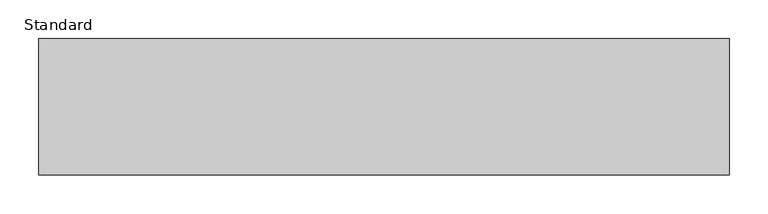
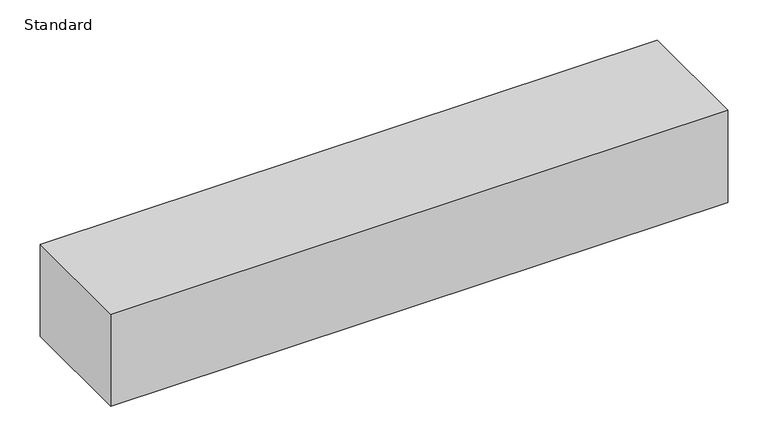
"""IFC4 building model written with IfcOpenShell, lengths in millimetres: proxy geometry, Standard."""

from ifc_helpers import new_model, si_unit, frame, origin, place, context, project, spatial, polyline, outline, extrude, source, transform, mapped, element, save


def standard_875ddddc(model_context):
    return source(origin(), model_context, "Body", "SweptSolid", [
        extrude(outline(polyline([(442.5, -5.0), (442.5, -180.0), (-442.5, -180.0), (-442.5, -5.0), (442.5, -5.0)])), frame((0.0, 0.0, -150.0), z_axis=(0.0, 0.0, 1.0), x_axis=(1.0, 0.0, 0.0)), (0.0, 0.0, 1.0), 140.0),
    ])


if __name__ == "__main__":
    model = new_model("IFC4")
    model_context = context("Model", 3, world=origin())
    ifc_project = project(units=[si_unit("LENGTHUNIT", "METRE", prefix="MILLI")], contexts=[model_context])
    site = spatial("IfcSite", under=ifc_project)
    building = spatial("IfcBuilding", under=site)
    placement = place(None, origin())
    standard_shape = standard_875ddddc(model_context)
    element("IfcBuildingElementProxy", 1, Name="Standard", ObjectType="Standard", at=placement, inside=building, context=model_context, shape_type="MappedRepresentation", body=[
        mapped(standard_shape, transform((0.0, 0.0, 0.0), x_axis=(1.0, 0.0, 0.0), y_axis=(0.0, 1.0, 0.0), z_axis=(0.0, 0.0, 1.0))),
    ])
    save(model, "model.ifc")
